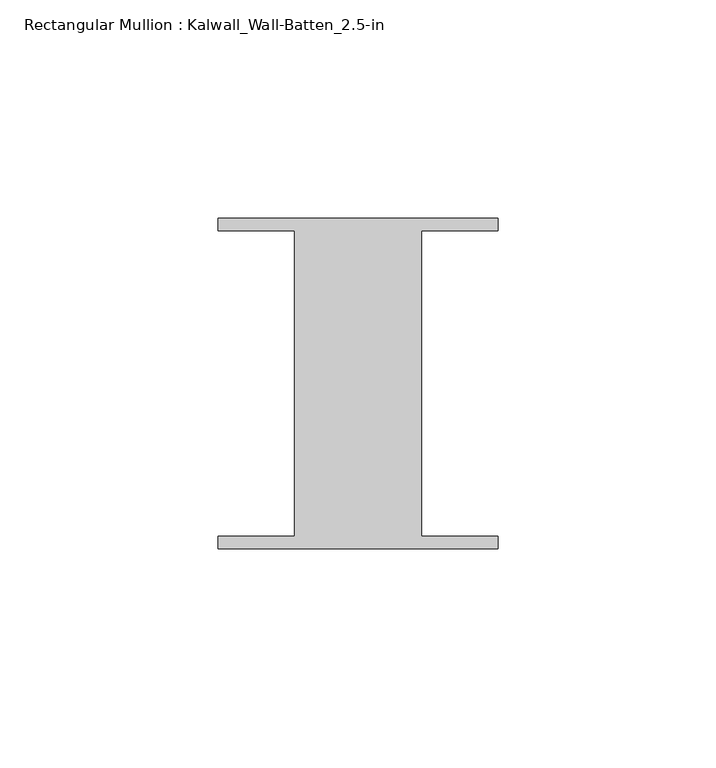
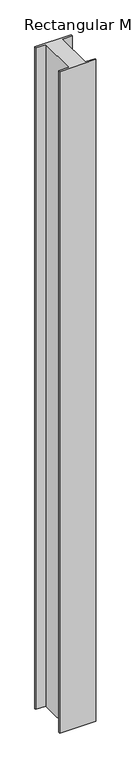
"""IFC4 building model written with IfcOpenShell, lengths in millimetres: member geometry, Rectangular Mullion : Kalwall_Wall-Batten_2.5-in."""

from ifc_helpers import new_model, si_unit, frame, origin, place, context, project, spatial, polyline, outline, extrude, source, transform, mapped, element, save


def rectangular_mullion_kalwall_wall_batten_2_5_in_b4b2841c(model_context):
    return source(origin(), model_context, "Body", "SweptSolid", [
        extrude(outline(polyline([(-32.0, 36.524), (32.0, 36.524), (32.0, 33.73), (14.5, 33.73), (14.5, -36.27), (32.0, -36.27), (32.0, -39.064), (-32.0, -39.064), (-32.0, -36.27), (-14.5, -36.27), (-14.5, 33.73), (-32.0, 33.73), (-32.0, 36.524)])), frame((0.0, 0.0, -1233.6560003), z_axis=(0.0, 0.0, 1.0), x_axis=(1.0, 0.0, 0.0)), (0.0, 0.0, 1.0), 1233.6560003),
    ])


if __name__ == "__main__":
    model = new_model("IFC4")
    model_context = context("Model", 3, world=origin())
    ifc_project = project(units=[si_unit("LENGTHUNIT", "METRE", prefix="MILLI")], contexts=[model_context])
    site = spatial("IfcSite", under=ifc_project)
    building = spatial("IfcBuilding", under=site)
    placement = place(None, origin())
    rectangular_mullion_kalwall_wall_batten_2_5_in_shape = rectangular_mullion_kalwall_wall_batten_2_5_in_b4b2841c(model_context)
    element("IfcMember", 1, ObjectType="Rectangular Mullion : Kalwall_Wall-Batten_2.5-in", at=placement, inside=building, context=model_context, shape_type="MappedRepresentation", body=[
        mapped(rectangular_mullion_kalwall_wall_batten_2_5_in_shape, transform((0.0, 0.0, 0.0), x_axis=(1.0, 0.0, 0.0), y_axis=(0.0, 1.0, 0.0), z_axis=(0.0, 0.0, 1.0))),
    ])
    save(model, "model.ifc")
